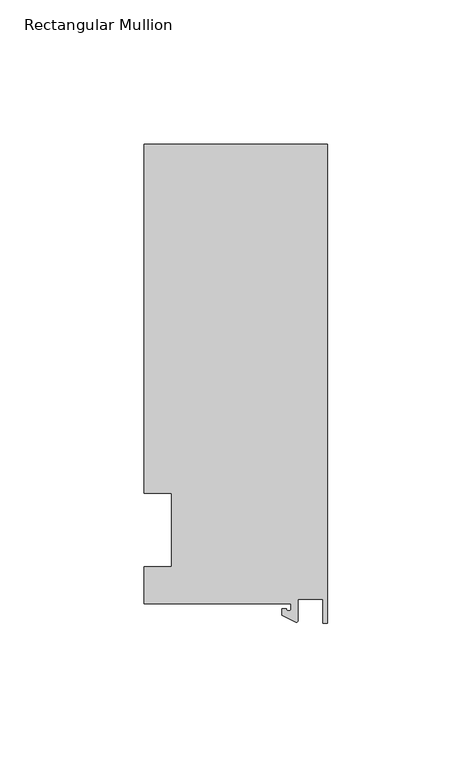
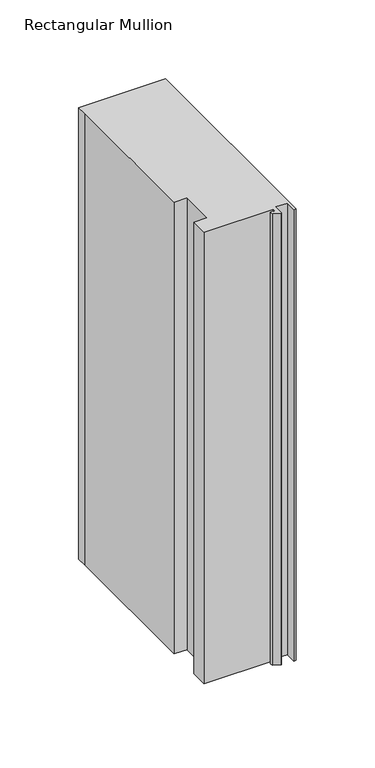
"""IFC4 building model written with IfcOpenShell, lengths in millimetres: member geometry, Rectangular Mullion."""

from ifc_helpers import new_model, si_unit, point, frame, frame_2d, origin, place, context, project, spatial, polyline, circle_curve, trimmed, segment, composite_curve, outline, extrude, source, transform, mapped, element, save


def rectangular_mullion_1d20294d(model_context):
    return source(origin(), model_context, "Body", "SweptSolid", [
        extrude(outline(composite_curve([segment(polyline([(-12.6979967, -25.4849312), (-63.5, -25.4849312), (-63.5, -12.7), (-53.975, -12.7), (-53.975, 12.7), (-63.5, 12.7), (-63.5, 125.6958688), (-63.5, 133.4428688), (0.0, 133.4428688), (0.0, -32.288874), (-1.5658966, -32.288874), (-1.7144124, -23.9227662), (-10.3103967, -23.9227662), (-10.3103967, -31.3654561)]), True, "CONTINUOUS"), segment(trimmed(circle_curve(frame_2d((-10.8183967, -31.3654561)), 0.508), [point((-10.3103967, -31.3654561))], [point((-11.0330867, -31.8258605))], False, "CARTESIAN"), True, "CONTINUOUS"), segment(polyline([(-11.0330867, -31.8258605), (-15.8729967, -29.5689734), (-15.8729967, -27.2067741), (-14.2854967, -27.2067741)]), True, "CONTINUOUS"), segment(trimmed(circle_curve(frame_2d((-13.4917467, -27.2067741)), 0.79375), [point((-14.2854967, -27.2067741))], [point((-12.6979967, -27.2067741))], True, "CARTESIAN"), True, "CONTINUOUS"), segment(polyline([(-12.6979967, -27.2067741), (-12.6979967, -25.4849312)]), True, "CONTINUOUS")], self_intersect=False)), frame((0.0, 0.0, -349.25), z_axis=(0.0, 0.0, 1.0), x_axis=(1.0, 0.0, 0.0)), (0.0, 0.0, 1.0), 349.25),
    ])


if __name__ == "__main__":
    model = new_model("IFC4")
    model_context = context("Model", 3, world=origin())
    ifc_project = project(units=[si_unit("LENGTHUNIT", "METRE", prefix="MILLI")], contexts=[model_context])
    site = spatial("IfcSite", under=ifc_project)
    building = spatial("IfcBuilding", under=site)
    placement = place(None, origin())
    rectangular_mullion_shape = rectangular_mullion_1d20294d(model_context)
    element("IfcMember", 1, ObjectType="Rectangular Mullion", at=placement, inside=building, context=model_context, shape_type="MappedRepresentation", body=[
        mapped(rectangular_mullion_shape, transform((0.0, 0.0, 0.0), x_axis=(1.0, 0.0, 0.0), y_axis=(0.0, 1.0, 0.0), z_axis=(0.0, 0.0, 1.0))),
    ])
    save(model, "model.ifc")
